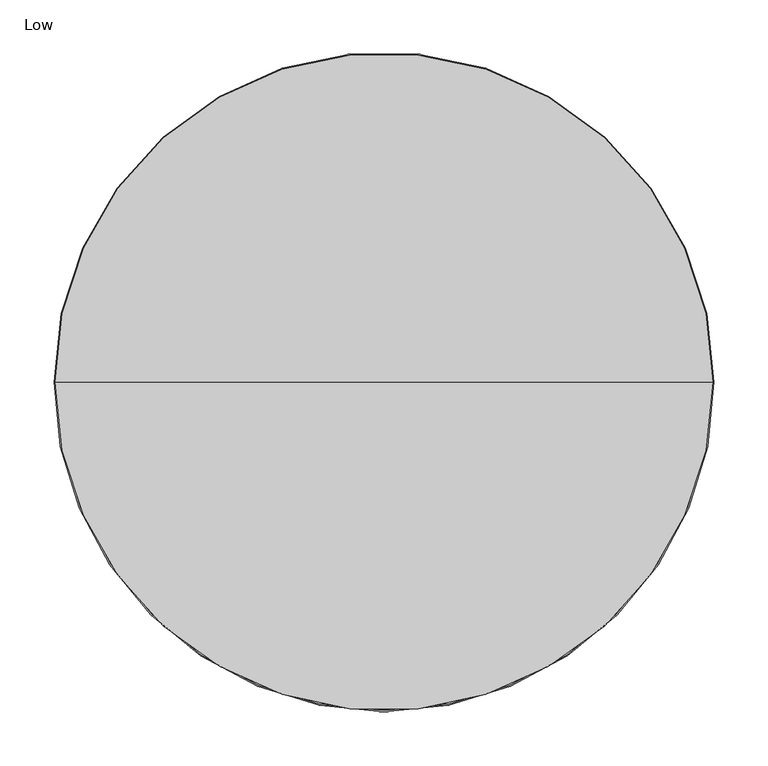
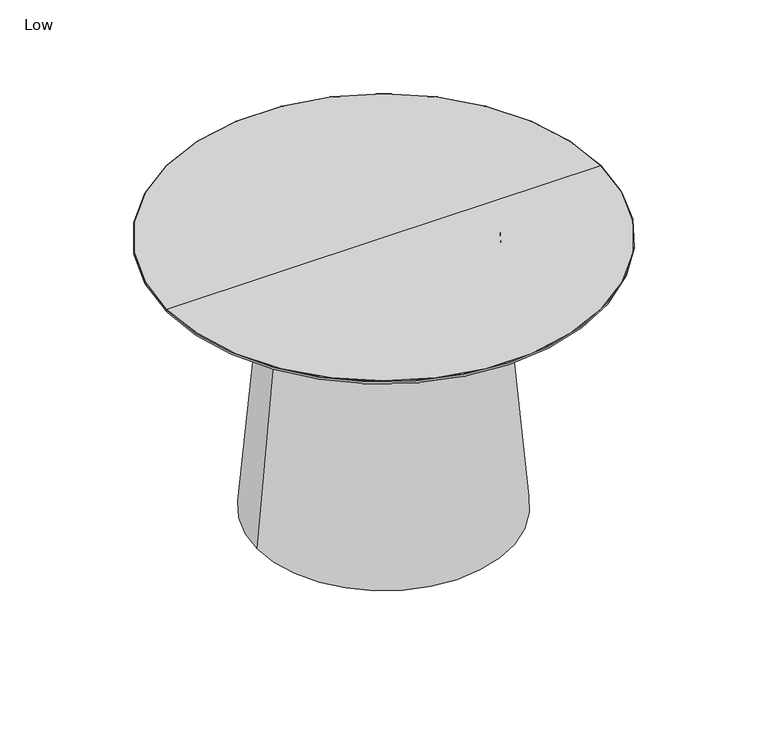
"""IFC4 building model written with IfcOpenShell, lengths in millimetres: furniture geometry, Low."""

import ifcopenshell
import ifcopenshell.guid

model = None  # the IFC model being written
_history = None  # IfcOwnerHistory: only IFC2X3 demands one
_inside = {}  # id of a spatial element -> (the spatial element, [elements in it])
_under = {}  # id of a project, library or spatial element -> (it, [spatial elements below it])
_declared = {}  # id of a project -> (the project, [libraries it declares])
_typed = {}  # id of a type object -> (the type object, [elements of that type])
_made_of = {}  # id of a material, layer set ... -> (it, [elements and type objects made of it])


def new_model(schema):
    """Start an empty IFC model of exactly this schema.

    Asked for "IFC4X3", IfcOpenShell would pick the latest addendum, in which some entities
    have other attributes; the version numbers below select the first issue.
    IFC2X3 requires an IfcOwnerHistory on every rooted entity: one is made here for all.
    """
    global model, _history
    if schema == "IFC4X3":
        model = ifcopenshell.file(schema_version=(4, 3, 0, 0))
    else:
        model = ifcopenshell.file(schema=schema)
    _inside.clear()
    _under.clear()
    _declared.clear()
    _typed.clear()
    _made_of.clear()
    _history = None
    if model.schema == "IFC2X3":
        org = make("IfcOrganization", Name="unknown")
        user = make(
            "IfcPersonAndOrganization",
            ThePerson=make("IfcPerson", FamilyName="unknown"),
            TheOrganization=org,
        )
        app = make(
            "IfcApplication",
            ApplicationDeveloper=org,
            Version="unknown",
            ApplicationFullName="unknown",
            ApplicationIdentifier="unknown",
        )
        _history = make(
            "IfcOwnerHistory",
            OwningUser=user,
            OwningApplication=app,
            ChangeAction="ADDED",
            CreationDate=0,
        )
    return model


def make(cls, **values):
    """One entity of the class cls with the attributes given. An attribute that is None is left unset."""
    return model.create_entity(
        cls, **{name: value for name, value in values.items() if value is not None}
    )


def rooted(cls, **values):
    """An entity with a GlobalId (a new one), such as an element, a storey or a relation."""
    return make(cls, GlobalId=ifcopenshell.guid.new(), OwnerHistory=_history, **values)


def si_unit(unit_type, name, prefix=None):
    """IfcSIUnit, for example si_unit("LENGTHUNIT", "METRE", prefix="MILLI")."""
    return make("IfcSIUnit", UnitType=unit_type, Prefix=prefix, Name=name)


def assignment(units):
    """IfcUnitAssignment: the units of a project."""
    return None if units is None else make("IfcUnitAssignment", Units=units)


def point(xyz):
    """IfcCartesianPoint."""
    return None if xyz is None else make("IfcCartesianPoint", Coordinates=xyz)


def direction(xyz):
    """IfcDirection."""
    return None if xyz is None else make("IfcDirection", DirectionRatios=xyz)


def frame(location, z_axis=None, x_axis=None):
    """IfcAxis2Placement3D, a coordinate frame: its origin and axes. An axis left out is left unset."""
    return make(
        "IfcAxis2Placement3D",
        Location=point(location),
        Axis=direction(z_axis),
        RefDirection=direction(x_axis),
    )


def origin():
    """The frame at (0, 0, 0) with its axes left unset."""
    return frame((0.0, 0.0, 0.0))


def place(relative_to, where):
    """IfcLocalPlacement: puts the frame where relative to a parent placement (None: the world)."""
    return make(
        "IfcLocalPlacement", PlacementRelTo=relative_to, RelativePlacement=where
    )


def context(
    kind, dimensions, precision=None, world=None, true_north=None, identifier=None
):
    """IfcGeometricRepresentationContext, for example the 3D "Model" context."""
    return make(
        "IfcGeometricRepresentationContext",
        ContextIdentifier=identifier,
        ContextType=kind,
        CoordinateSpaceDimension=dimensions,
        Precision=precision,
        WorldCoordinateSystem=world,
        TrueNorth=true_north,
    )


def project(units=None, contexts=None):
    """IfcProject with its units and contexts."""
    return rooted(
        "IfcProject",
        Name="project",
        RepresentationContexts=contexts,
        UnitsInContext=assignment(units),
    )


def spatial(cls, under=None, at=None, **own):
    """A site, building, storey or space (cls), placed at a placement, below another one or the project."""
    s = rooted(cls, ObjectPlacement=at, **own)
    if under is not None:
        _under.setdefault(under.id(), (under, []))[1].append(s)
    return s


def polyline(points):
    """IfcPolyline through the points."""
    return make("IfcPolyline", Points=[point(p) for p in points])


def circle_curve(where, radius):
    """IfcCircle in the frame where."""
    return make("IfcCircle", Position=where, Radius=radius)


def ellipse_curve(where, semi_axis1, semi_axis2):
    """IfcEllipse in the frame where."""
    return make(
        "IfcEllipse", Position=where, SemiAxis1=semi_axis1, SemiAxis2=semi_axis2
    )


def trimmed(basis, trim1, trim2, sense, master):
    """IfcTrimmedCurve: the piece of a basis curve between two trims."""
    return make(
        "IfcTrimmedCurve",
        BasisCurve=basis,
        Trim1=trim1,
        Trim2=trim2,
        SenseAgreement=sense,
        MasterRepresentation=master,
    )


def shape(context_of_items, identifier, shape_type, items):
    """IfcShapeRepresentation: the items that make up one representation, for example the "Body"."""
    return make(
        "IfcShapeRepresentation",
        ContextOfItems=context_of_items,
        RepresentationIdentifier=identifier,
        RepresentationType=shape_type,
        Items=items,
    )


def source(mapping_origin, context_of_items, identifier, shape_type, items):
    """IfcRepresentationMap: a shape defined once, which mapped items show again and again."""
    return make(
        "IfcRepresentationMap",
        MappingOrigin=mapping_origin,
        MappedRepresentation=shape(context_of_items, identifier, shape_type, items),
    )


def transform(
    local_origin,
    x_axis=None,
    y_axis=None,
    z_axis=None,
    scale=None,
    scale2=None,
    scale3=None,
    uniform=True,
):
    """IfcCartesianTransformationOperator3D, or its non-uniform kind. x_axis, y_axis, z_axis: its Axis1, 2, 3."""
    if uniform:
        return make(
            "IfcCartesianTransformationOperator3D",
            Axis1=direction(x_axis),
            Axis2=direction(y_axis),
            LocalOrigin=point(local_origin),
            Scale=scale,
            Axis3=direction(z_axis),
        )
    return make(
        "IfcCartesianTransformationOperator3DnonUniform",
        Axis1=direction(x_axis),
        Axis2=direction(y_axis),
        LocalOrigin=point(local_origin),
        Scale=scale,
        Axis3=direction(z_axis),
        Scale2=scale2,
        Scale3=scale3,
    )


def mapped(mapping_source, mapping_target):
    """IfcMappedItem: shows the shape of a source again, moved by a transform."""
    return make(
        "IfcMappedItem", MappingSource=mapping_source, MappingTarget=mapping_target
    )


def made_of(thing, what):
    """Note that an element or type object is made of a material, layer set ...; save() writes the relation."""
    if what is not None:
        _made_of.setdefault(what.id(), (what, []))[1].append(thing)
    return thing


def element(
    cls,
    number,
    at=None,
    inside=None,
    cuts=None,
    type_object=None,
    material=None,
    context=None,
    identifier="Body",
    shape_type=None,
    held_by="IfcProductDefinitionShape",
    body=None,
    shapes=None,
    **own,
):
    """One element of the class cls, such as IfcWall. Its Tag is "e" and its number.

    at: its placement. inside: the storey or other place that contains it. cuts: it is an
    opening in that element (IfcRelVoidsElement). A single representation is given by context,
    identifier, shape_type and body (its items); several are given by shapes. held_by: the class
    of the entity that holds the representations. save() writes the other relations.
    """
    e = rooted(cls, Tag="e%d" % number, ObjectPlacement=at, **own)
    if body is not None:
        shapes = [shape(context, identifier, shape_type, body)]
    if shapes is not None:
        e.Representation = make(held_by, Representations=shapes)
    if inside is not None:
        _inside.setdefault(inside.id(), (inside, []))[1].append(e)
    if cuts is not None:
        rooted(
            "IfcRelVoidsElement", RelatingBuildingElement=cuts, RelatedOpeningElement=e
        )
    if type_object is not None:
        _typed.setdefault(type_object.id(), (type_object, []))[1].append(e)
    return made_of(e, material)


def aggregate(whole, parts):
    """IfcRelAggregates: a whole, such as a stair, and the parts it consists of."""
    return rooted("IfcRelAggregates", RelatingObject=whole, RelatedObjects=parts)


def save(model, path):
    """Write the relations noted so far, then the file.

    IfcRelAggregates (storeys below a building ...), IfcRelContainedInSpatialStructure (elements
    in a storey), IfcRelDefinesByType, IfcRelAssociatesMaterial and IfcRelDeclares: one each for
    every whole, place, type object, material and project.
    """
    for whole, parts in _under.values():
        aggregate(whole, parts)
    for where, things in _inside.values():
        rooted(
            "IfcRelContainedInSpatialStructure",
            RelatedElements=things,
            RelatingStructure=where,
        )
    for kind, things in _typed.values():
        rooted("IfcRelDefinesByType", RelatedObjects=things, RelatingType=kind)
    for what, things in _made_of.values():
        rooted("IfcRelAssociatesMaterial", RelatedObjects=things, RelatingMaterial=what)
    for by, libraries in _declared.values():
        rooted("IfcRelDeclares", RelatingContext=by, RelatedDefinitions=libraries)
    model.write(path)


def plane_surface(at):
    """IfcPlane: the flat surface through the origin of the frame at, square to its z axis."""
    return make("IfcPlane", Position=at)


def revolved_surface(curve, axis_point, axis_direction):
    """IfcSurfaceOfRevolution: the curve turned about the line through axis_point along axis_direction."""
    return make(
        "IfcSurfaceOfRevolution",
        SweptCurve=make("IfcArbitraryOpenProfileDef", ProfileType="CURVE", Curve=curve),
        AxisPosition=make("IfcAxis1Placement", Location=point(axis_point), Axis=direction(axis_direction)),
    )


def advanced_brep(points, edges, surfaces, faces):
    """IfcAdvancedBrep: a solid bounded by faces that lie on surfaces and meet in shared edges.

    An edge is (start, end): straight between two places in points (the first is 0);
    or (start, end, curve); or (start, end, curve, False) where it runs against its curve.
    A face is (place in surfaces, loops), or (place, loops, False) where it looks against
    its surface's normal. A loop lists edges by number (the first is 1), with a minus sign
    where the edge is run from its end to its start. The first loop is the outer one.
    """
    corners = [point(p) for p in points]
    vertices = [make("IfcVertexPoint", VertexGeometry=c) for c in corners]
    made = []
    for start, end, *more in edges:
        made.append(
            make(
                "IfcEdgeCurve",
                EdgeStart=vertices[start],
                EdgeEnd=vertices[end],
                EdgeGeometry=more[0] if more else make("IfcPolyline", Points=[corners[start], corners[end]]),
                SameSense=more[1] if len(more) > 1 else True,
            )
        )
    hull = []
    for where, loops, *sense in faces:
        bounds = []
        for j, loop in enumerate(loops):
            ring = [make("IfcOrientedEdge", EdgeElement=made[abs(k) - 1], Orientation=k > 0) for k in loop]
            bounds.append(
                make(
                    "IfcFaceOuterBound" if j == 0 else "IfcFaceBound",
                    Bound=make("IfcEdgeLoop", EdgeList=ring),
                    Orientation=True,
                )
            )
        hull.append(make("IfcAdvancedFace", Bounds=bounds, FaceSurface=surfaces[where], SameSense=sense[0] if sense else True))
    return make("IfcAdvancedBrep", Outer=make("IfcClosedShell", CfsFaces=hull))


def low_22e3353d(model_context):
    return source(origin(), model_context, "Body", "AdvancedBrep", [
        advanced_brep(
        [(153.0393406, 0.0, 6.9999236), (133.9806594, 0.0, 6.9999236), (151.5514454, 0.0, 0.0), (135.4685546, 0.0, 0.0)],
        [
            (0, 1, circle_curve(frame((143.51, 0.0, 6.9999236), z_axis=(0.0, 0.0, 1.0), x_axis=(1.0, 0.0, 0.0)), 9.5293406)),
            (1, 0, circle_curve(frame((143.51, 0.0, 6.9999236), z_axis=(0.0, 0.0, 1.0), x_axis=(-1.0, 0.0, 0.0)), 9.5293406)),
            (2, 3, circle_curve(frame((143.51, 0.0, 0.0), z_axis=(0.0, 0.0, -1.0), x_axis=(-1.0, 0.0, 0.0)), 8.0414454)),
            (3, 2, circle_curve(frame((143.51, 0.0, 0.0), z_axis=(0.0, 0.0, -1.0), x_axis=(1.0, 0.0, 0.0)), 8.0414454)),
            (2, 0),
            (1, 3),
        ],
        [
            plane_surface(frame((143.51, 0.0, 6.9999236), z_axis=(0.0, 0.0, 1.0), x_axis=(0.0, 1.0, 0.0))),
            plane_surface(frame((143.51, 0.0, 0.0), z_axis=(0.0, 0.0, -1.0), x_axis=(0.0, 1.0, 0.0))),
            revolved_surface(polyline([(151.5514454050722, 0.0, 0.0), (153.0393406, 0.0, 6.9999236000000025)]), (143.51, 0.0, -37.831632), (0.0, 0.0, 1.0)),
            revolved_surface(polyline([(135.4685545949278, 0.0, 0.0), (133.9806594, 0.0, 6.9999236000000025)]), (143.51, 0.0, -37.831632), (0.0, 0.0, 1.0)),
        ],
        [
            (0, [[1, 2]]),
            (1, [[3, 4]]),
            (2, [[-3, 5, -2, 6]]),
            (3, [[-4, -6, -1, -5]]),
        ],
    ),
        advanced_brep(
        [(-143.002, 0.0, 400.304), (143.002, 0.0, 400.304), (-177.292, 0.0, 6.9998782), (177.292, 0.0, 6.9998782)],
        [
            (0, 1, circle_curve(frame((0.0, 0.0, 400.304), z_axis=(0.0, 0.0, 1.0), x_axis=(-1.0, 0.0, 0.0)), 143.002)),
            (1, 0, circle_curve(frame((0.0, 0.0, 400.304), z_axis=(0.0, 0.0, 1.0), x_axis=(1.0, 0.0, 0.0)), 143.002)),
            (2, 3, circle_curve(frame((0.0, 0.0, 6.9998782), z_axis=(0.0, 0.0, -1.0), x_axis=(1.0, 0.0, 0.0)), 177.292)),
            (3, 2, circle_curve(frame((0.0, 0.0, 6.9998782), z_axis=(0.0, 0.0, -1.0), x_axis=(-1.0, 0.0, 0.0)), 177.292)),
            (3, 1),
            (0, 2),
        ],
        [
            plane_surface(frame((0.0, 0.0, 400.304), z_axis=(0.0, 0.0, 1.0), x_axis=(0.0, -1.0, 0.0))),
            plane_surface(frame((0.0, 0.0, 6.9998782), z_axis=(0.0, 0.0, -1.0), x_axis=(0.0, -1.0, 0.0))),
            revolved_surface(polyline([(-143.0020000000125, 0.0, 400.3040000000001), (-177.292, 0.0, 6.999878200000012)]), (0.0, 0.0, 2040.5278561), (0.0, 0.0, -1.0)),
            revolved_surface(polyline([(143.0020000000125, 0.0, 400.3040000000001), (177.292, 0.0, 6.999878200000012)]), (0.0, 0.0, 2040.5278561), (0.0, 0.0, -1.0)),
        ],
        [
            (0, [[1, 2]]),
            (1, [[3, 4]]),
            (2, [[-4, 5, -1, 6]]),
            (3, [[-3, -6, -2, -5]]),
        ],
    ),
        advanced_brep(
        [(0.0, 153.0393406, 6.9999236), (0.0, 133.9806594, 6.9999236), (0.0, 151.5514454, 0.0), (0.0, 135.4685546, 0.0)],
        [
            (0, 1, circle_curve(frame((0.0, 143.51, 6.9999236), z_axis=(0.0, 0.0, 1.0), x_axis=(0.0, 1.0, 0.0)), 9.5293406)),
            (1, 0, circle_curve(frame((0.0, 143.51, 6.9999236), z_axis=(0.0, 0.0, 1.0), x_axis=(0.0, -1.0, 0.0)), 9.5293406)),
            (2, 3, circle_curve(frame((0.0, 143.51, 0.0), z_axis=(0.0, 0.0, -1.0), x_axis=(0.0, -1.0, 0.0)), 8.0414454)),
            (3, 2, circle_curve(frame((0.0, 143.51, 0.0), z_axis=(0.0, 0.0, -1.0), x_axis=(0.0, 1.0, 0.0)), 8.0414454)),
            (2, 0),
            (1, 3),
        ],
        [
            plane_surface(frame((0.0, 143.51, 6.9999236), z_axis=(0.0, 0.0, 1.0), x_axis=(-1.0, 0.0, 0.0))),
            plane_surface(frame((0.0, 143.51, 0.0), z_axis=(0.0, 0.0, -1.0), x_axis=(-1.0, 0.0, 0.0))),
            revolved_surface(polyline([(0.0, 151.5514454050722, 0.0), (0.0, 153.0393406, 6.9999236000000025)]), (0.0, 143.51, -37.831632), (0.0, 0.0, 1.0)),
            revolved_surface(polyline([(0.0, 135.4685545949278, 0.0), (0.0, 133.9806594, 6.9999236000000025)]), (0.0, 143.51, -37.831632), (0.0, 0.0, 1.0)),
        ],
        [
            (0, [[1, 2]]),
            (1, [[3, 4]]),
            (2, [[-3, 5, -2, 6]]),
            (3, [[-4, -6, -1, -5]]),
        ],
    ),
        advanced_brep(
        [(0.0, -153.0393406, 6.9999236), (0.0, -133.9806594, 6.9999236), (0.0, -151.5514454, 0.0), (0.0, -135.4685546, 0.0)],
        [
            (0, 1, circle_curve(frame((0.0, -143.51, 6.9999236), z_axis=(0.0, 0.0, 1.0), x_axis=(0.0, -1.0, 0.0)), 9.5293406)),
            (1, 0, circle_curve(frame((0.0, -143.51, 6.9999236), z_axis=(0.0, 0.0, 1.0), x_axis=(0.0, 1.0, 0.0)), 9.5293406)),
            (2, 3, circle_curve(frame((0.0, -143.51, 0.0), z_axis=(0.0, 0.0, -1.0), x_axis=(0.0, 1.0, 0.0)), 8.0414454)),
            (3, 2, circle_curve(frame((0.0, -143.51, 0.0), z_axis=(0.0, 0.0, -1.0), x_axis=(0.0, -1.0, 0.0)), 8.0414454)),
            (3, 1),
            (0, 2),
        ],
        [
            plane_surface(frame((0.0, -143.51, 6.9999236), z_axis=(0.0, 0.0, 1.0), x_axis=(1.0, 0.0, 0.0))),
            plane_surface(frame((0.0, -143.51, 0.0), z_axis=(0.0, 0.0, -1.0), x_axis=(1.0, 0.0, 0.0))),
            revolved_surface(polyline([(0.0, -135.4685545949278, 0.0), (0.0, -133.9806594, 6.9999236000000025)]), (0.0, -143.51, -37.831632), (0.0, 0.0, 1.0)),
            revolved_surface(polyline([(0.0, -151.5514454050722, 0.0), (0.0, -153.0393406, 6.9999236000000025)]), (0.0, -143.51, -37.831632), (0.0, 0.0, 1.0)),
        ],
        [
            (0, [[1, 2]]),
            (1, [[3, 4]]),
            (2, [[-4, 5, -1, 6]]),
            (3, [[-3, -6, -2, -5]]),
        ],
    ),
        advanced_brep(
        [(-153.0393406, 0.0, 6.9999236), (-133.9806594, 0.0, 6.9999236), (-151.5514454, 0.0, 0.0), (-135.4685546, 0.0, 0.0)],
        [
            (0, 1, circle_curve(frame((-143.51, 0.0, 6.9999236), z_axis=(0.0, 0.0, 1.0), x_axis=(-1.0, 0.0, 0.0)), 9.5293406)),
            (1, 0, circle_curve(frame((-143.51, 0.0, 6.9999236), z_axis=(0.0, 0.0, 1.0), x_axis=(1.0, 0.0, 0.0)), 9.5293406)),
            (2, 3, circle_curve(frame((-143.51, 0.0, 0.0), z_axis=(0.0, 0.0, -1.0), x_axis=(1.0, 0.0, 0.0)), 8.0414454)),
            (3, 2, circle_curve(frame((-143.51, 0.0, 0.0), z_axis=(0.0, 0.0, -1.0), x_axis=(-1.0, 0.0, 0.0)), 8.0414454)),
            (3, 1),
            (0, 2),
        ],
        [
            plane_surface(frame((-143.51, 0.0, 6.9999236), z_axis=(0.0, 0.0, 1.0), x_axis=(0.0, -1.0, 0.0))),
            plane_surface(frame((-143.51, 0.0, 0.0), z_axis=(0.0, 0.0, -1.0), x_axis=(0.0, -1.0, 0.0))),
            revolved_surface(polyline([(-135.4685545949278, 0.0, 0.0), (-133.9806594, 0.0, 6.9999236000000025)]), (-143.51, 0.0, -37.831632), (0.0, 0.0, 1.0)),
            revolved_surface(polyline([(-151.5514454050722, 0.0, 0.0), (-153.0393406, 0.0, 6.9999236000000025)]), (-143.51, 0.0, -37.831632), (0.0, 0.0, 1.0)),
        ],
        [
            (0, [[1, 2]]),
            (1, [[3, 4]]),
            (2, [[-4, 5, -1, 6]]),
            (3, [[-3, -6, -2, -5]]),
        ],
    ),
        advanced_brep(
        [(-297.7693609, 0.0, 400.304), (297.7693609, 0.0, 400.304), (0.0, 0.0, 400.304), (0.0, 0.0, 406.4), (303.8012099, 0.0, 406.4), (-303.8012099, 0.0, 406.4), (-304.8, 0.0, 405.4012099), (304.8, 0.0, 405.4012099)],
        [
            (0, 1, circle_curve(frame((0.0, 0.0, 400.304), z_axis=(0.0, 0.0, -1.0), x_axis=(1.0, 0.0, 0.0)), 297.7693609)),
            (1, 2),
            (2, 0),
            (1, 0, circle_curve(frame((0.0, 0.0, 400.304), z_axis=(0.0, 0.0, -1.0), x_axis=(1.0, 0.0, 0.0)), 297.7693609)),
            (3, 4),
            (4, 5, circle_curve(frame((0.0, 0.0, 406.4), z_axis=(0.0, 0.0, 1.0), x_axis=(1.0, 0.0, 0.0)), 303.8012099)),
            (5, 3),
            (5, 4, circle_curve(frame((0.0, 0.0, 406.4), z_axis=(0.0, 0.0, 1.0), x_axis=(1.0, 0.0, 0.0)), 303.8012099)),
            (6, 7, circle_curve(frame((0.0, 0.0, 405.4012099), z_axis=(0.0, 0.0, -1.0), x_axis=(1.0, 0.0, 0.0)), 304.8)),
            (7, 1, circle_curve(frame((299.4369431, 0.0, 405.4012099), z_axis=(0.0, 1.0, 0.0), x_axis=(1.0, 0.0, 0.0)), 5.3630569)),
            (0, 6, circle_curve(frame((-299.4369431, 0.0, 405.4012099), z_axis=(0.0, 1.0, 0.0), x_axis=(-1.0, 0.0, 0.0)), 5.3630569)),
            (7, 6, circle_curve(frame((0.0, 0.0, 405.4012099), z_axis=(0.0, 0.0, -1.0), x_axis=(1.0, 0.0, 0.0)), 304.8)),
            (4, 7, circle_curve(frame((303.8012099, 0.0, 405.4012099), z_axis=(0.0, 1.0, 0.0), x_axis=(1.0, 0.0, 0.0)), 0.9987901)),
            (6, 5, circle_curve(frame((-303.8012099, 0.0, 405.4012099), z_axis=(0.0, 1.0, 0.0), x_axis=(-1.0, 0.0, 0.0)), 0.9987901)),
        ],
        [
            plane_surface(frame((0.0, 0.0, 400.304), z_axis=(0.0, 0.0, -1.0), x_axis=(1.0, 0.0, 0.0))),
            plane_surface(frame((0.0, 0.0, 406.4), z_axis=(0.0, 0.0, 1.0), x_axis=(1.0, 0.0, 0.0))),
            revolved_surface(trimmed(ellipse_curve(frame((299.4369431, 0.0, 405.4012099), z_axis=(0.0, -1.0, 0.0), x_axis=(1.0, 0.0, 0.0)), 5.3630569, 5.3630569), [point((297.7693609, 0.0, 400.304))], [point((304.8, 0.0, 405.4012099))], True, "CARTESIAN"), (0.0, 0.0, 647.0807034), (0.0, 0.0, 1.0)),
            revolved_surface(trimmed(ellipse_curve(frame((303.8012099, 0.0, 405.4012099), z_axis=(0.0, -1.0, 0.0), x_axis=(1.0, 0.0, 0.0)), 0.9987901, 0.9987901), [point((304.8, 0.0, 405.4012099))], [point((303.8012099, 0.0, 406.4))], True, "CARTESIAN"), (0.0, 0.0, 647.0807034), (0.0, 0.0, 1.0)),
        ],
        [
            (0, [[1, 2, 3]]),
            (0, [[4, -3, -2]]),
            (1, [[5, 6, 7]]),
            (1, [[-7, 8, -5]]),
            (2, [[9, 10, -1, 11]]),
            (2, [[12, -11, -4, -10]]),
            (3, [[-6, 13, -9, 14]]),
            (3, [[-8, -14, -12, -13]]),
        ],
    ),
    ])


if __name__ == "__main__":
    model = new_model("IFC4")
    model_context = context("Model", 3, world=origin())
    ifc_project = project(units=[si_unit("LENGTHUNIT", "METRE", prefix="MILLI")], contexts=[model_context])
    site = spatial("IfcSite", under=ifc_project)
    building = spatial("IfcBuilding", under=site)
    placement = place(None, origin())
    low_shape = low_22e3353d(model_context)
    element("IfcFurniture", 1, ObjectType="Low", at=placement, inside=building, context=model_context, shape_type="MappedRepresentation", body=[
        mapped(low_shape, transform((0.0, 0.0, 0.0), x_axis=(1.0, 0.0, 0.0), y_axis=(0.0, 1.0, 0.0), z_axis=(0.0, 0.0, 1.0))),
    ])
    save(model, "model.ifc")
